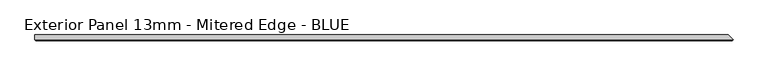
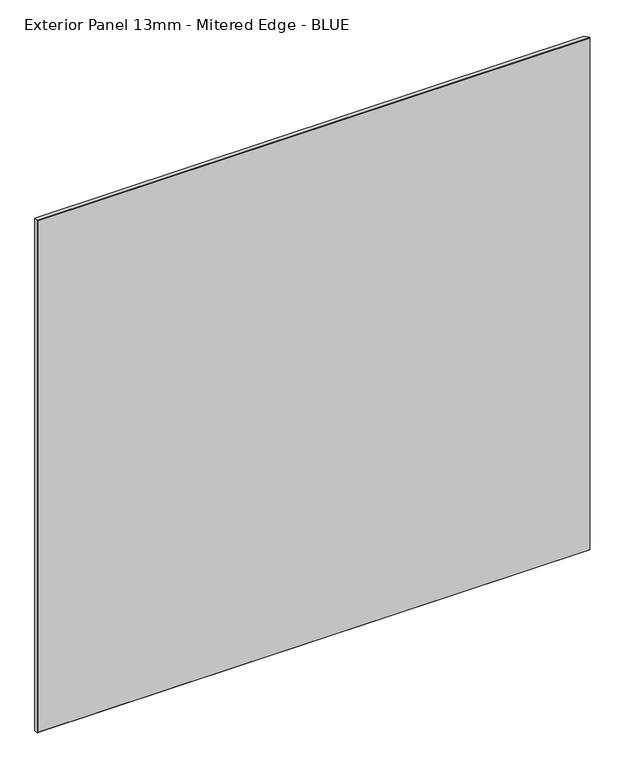
"""IFC4 building model written with IfcOpenShell, lengths in millimetres: proxy geometry, Exterior Panel 13mm - Mitered Edge - BLUE."""

from ifc_helpers import new_model, si_unit, origin, place, context, project, spatial, faceted_brep, source, transform, mapped, element, save


def exterior_panel_13mm_mitered_edge_blue_bd09a48e(model_context):
    return source(origin(), model_context, "Body", "Brep", [
        faceted_brep([(1087.4375, 6.35, 1524.0), (-457.2, 6.35, 1524.0), (-457.2, -4.7625, 1524.0), (1098.55, -4.7625, 1524.0), (1087.4375, 6.35, 0.0), (1098.55, -4.7625, 0.0), (-457.2, -4.7625, 0.0), (-457.2, 6.35, 0.0), (-455.6125, -6.35, 1522.4125), (-455.6125, -6.35, 1.5875), (1096.9625, -6.35, 1.5875), (1096.9625, -6.35, 1522.4125)], [[[0, 1, 2, 3]], [[4, 5, 6, 7]], [[1, 0, 4, 7]], [[2, 1, 7, 6]], [[8, 9, 10, 11]], [[2, 6, 9, 8]], [[5, 3, 11, 10]], [[3, 2, 8, 11]], [[6, 5, 10, 9]], [[0, 3, 5, 4]]]),
    ])


if __name__ == "__main__":
    model = new_model("IFC4")
    model_context = context("Model", 3, world=origin())
    ifc_project = project(units=[si_unit("LENGTHUNIT", "METRE", prefix="MILLI")], contexts=[model_context])
    site = spatial("IfcSite", under=ifc_project)
    building = spatial("IfcBuilding", under=site)
    placement = place(None, origin())
    exterior_panel_13mm_mitered_edge_blue_shape = exterior_panel_13mm_mitered_edge_blue_bd09a48e(model_context)
    element("IfcBuildingElementProxy", 1, Name="Exterior Panel 13mm - Mitered Edge - BLUE", ObjectType="Exterior Panel 13mm - Mitered Edge - BLUE", at=placement, inside=building, context=model_context, shape_type="MappedRepresentation", body=[
        mapped(exterior_panel_13mm_mitered_edge_blue_shape, transform((0.0, 0.0, 0.0), x_axis=(1.0, 0.0, 0.0), y_axis=(0.0, 1.0, 0.0), z_axis=(0.0, 0.0, 1.0))),
    ])
    save(model, "model.ifc")
